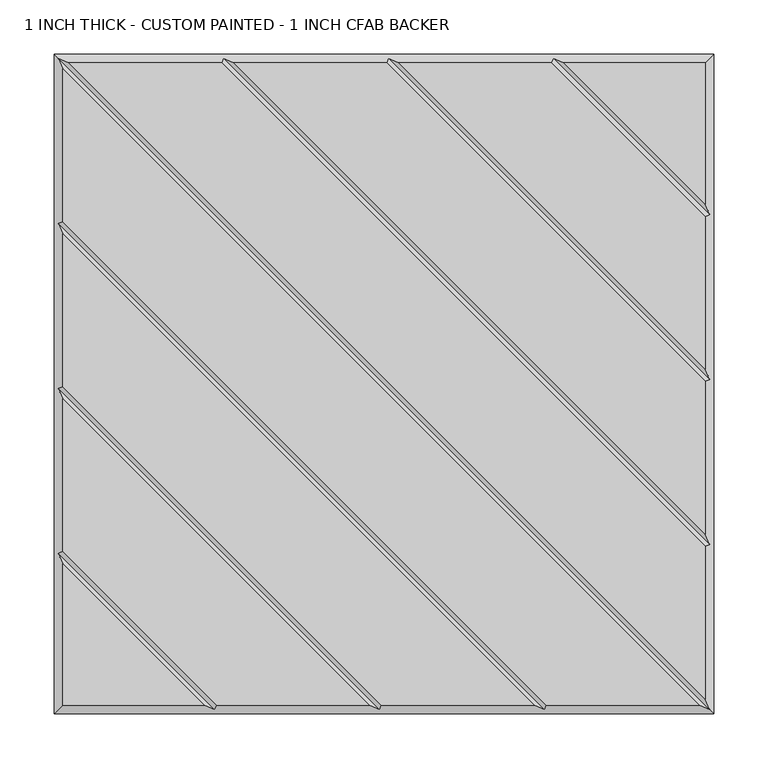
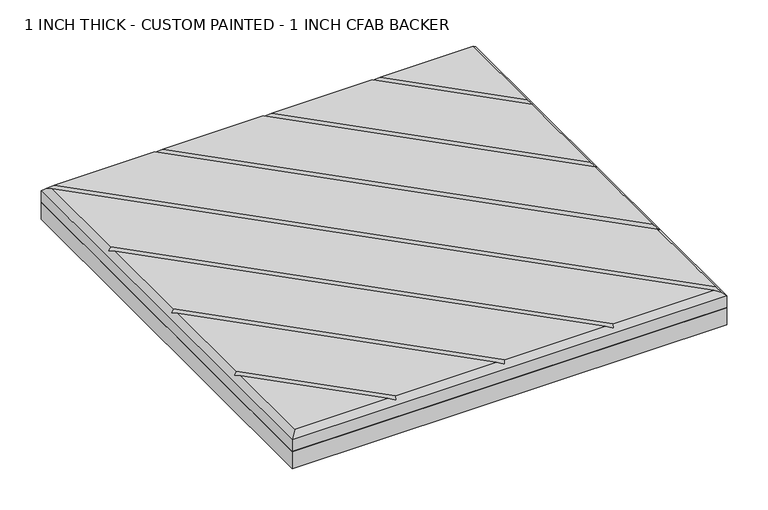
"""IFC4 building model written with IfcOpenShell, lengths in millimetres: proxy geometry, 1 INCH THICK - CUSTOM PAINTED - 1 INCH CFAB BACKER."""

from ifc_helpers import new_model, si_unit, frame, origin, place, context, project, spatial, polyline, outline, extrude, faceted_brep, source, transform, mapped, element, save


def proxy_1_inch_thick_custom_painted_1_inch_cfab_backer_cc4cbef5(model_context):
    return source(origin(), model_context, "Body", "SolidModel", [
        extrude(outline(polyline([(-304.8, 304.8), (304.8, 304.8), (304.8, -304.8), (-304.8, -304.8), (-304.8, 304.8)])), frame((0.0, 0.0, -25.4), z_axis=(0.0, 0.0, 1.0), x_axis=(1.0, 0.0, 0.0)), (0.0, 0.0, 1.0), 25.4),
        faceted_brep([(-291.1414386, 296.799, 25.4), (296.799, -291.1414386, 25.4), (296.799, -150.0565868, 25.4), (-150.0565868, 296.799, 25.4), (291.1414386, -296.799, 25.4), (-296.799, 291.1414386, 25.4), (-296.799, 150.0565868, 25.4), (150.0565868, -296.799, 25.4), (138.741464, -296.799, 25.4), (-296.799, 138.741464, 25.4), (-296.799, -2.3434132, 25.4), (-2.3434132, -296.799, 25.4), (-13.658536, -296.799, 25.4), (-296.799, -13.658536, 25.4), (-296.799, -154.7434132, 25.4), (-154.7434132, -296.799, 25.4), (-296.799, -166.058536, 25.4), (-296.799, -296.799, 25.4), (-166.058536, -296.799, 25.4), (-138.741464, 296.799, 25.4), (296.799, -138.741464, 25.4), (296.799, 2.3434132, 25.4), (2.3434132, 296.799, 25.4), (13.658536, 296.799, 25.4), (296.799, 13.658536, 25.4), (296.799, 154.7434132, 25.4), (154.7434132, 296.799, 25.4), (296.799, 296.799, 25.4), (166.058536, 296.799, 25.4), (296.799, 166.058536, 25.4), (-304.8, 304.8, 0.0), (304.8, 304.8, 0.0), (304.8, -304.8, 0.0), (-304.8, -304.8, 0.0), (-304.8, -304.8, 17.399), (-304.8, 304.8, 17.399), (304.8, -304.8, 17.399), (304.8, 304.8, 17.399), (-300.7995, 300.7995, 21.3995), (-148.3995254, 300.7995, 21.3995), (4.0004746, 300.7995, 21.3995), (156.4004746, 300.7995, 21.3995), (-300.7995, -156.4004746, 21.3995), (-300.7995, -4.0004746, 21.3995), (-300.7995, 148.3995254, 21.3995), (300.7995, -300.7995, 21.3995), (148.3995254, -300.7995, 21.3995), (-4.0004746, -300.7995, 21.3995), (-156.4004746, -300.7995, 21.3995), (300.7995, 156.4004746, 21.3995), (300.7995, 4.0004746, 21.3995), (300.7995, -148.3995254, 21.3995)], [[[0, 1, 2, 3]], [[4, 5, 6, 7]], [[8, 9, 10, 11]], [[12, 13, 14, 15]], [[16, 17, 18]], [[19, 20, 21, 22]], [[23, 24, 25, 26]], [[27, 28, 29]], [[30, 31, 32, 33]], [[30, 33, 34, 35]], [[33, 32, 36, 34]], [[32, 31, 37, 36]], [[31, 30, 35, 37]], [[27, 37, 35, 38, 0, 3, 39, 19, 22, 40, 23, 26, 41, 28]], [[34, 17, 16, 42, 14, 13, 43, 10, 9, 44, 6, 5, 38, 35]], [[17, 34, 36, 45, 4, 7, 46, 8, 11, 47, 12, 15, 48, 18]], [[37, 27, 29, 49, 25, 24, 50, 21, 20, 51, 2, 1, 45, 36]], [[38, 45, 1, 0]], [[45, 38, 5, 4]], [[44, 46, 7, 6]], [[46, 44, 9, 8]], [[43, 47, 11, 10]], [[47, 43, 13, 12]], [[42, 48, 15, 14]], [[48, 42, 16, 18]], [[51, 39, 3, 2]], [[39, 51, 20, 19]], [[50, 40, 22, 21]], [[40, 50, 24, 23]], [[49, 41, 26, 25]], [[41, 49, 29, 28]]]),
    ])


if __name__ == "__main__":
    model = new_model("IFC4")
    model_context = context("Model", 3, world=origin())
    ifc_project = project(units=[si_unit("LENGTHUNIT", "METRE", prefix="MILLI")], contexts=[model_context])
    site = spatial("IfcSite", under=ifc_project)
    building = spatial("IfcBuilding", under=site)
    placement = place(None, origin())
    proxy_1_inch_thick_custom_painted_1_inch_cfab_backer_shape = proxy_1_inch_thick_custom_painted_1_inch_cfab_backer_cc4cbef5(model_context)
    element("IfcBuildingElementProxy", 1, Name="1 INCH THICK - CUSTOM PAINTED - 1 INCH CFAB BACKER", ObjectType="1 INCH THICK - CUSTOM PAINTED - 1 INCH CFAB BACKER", at=placement, inside=building, context=model_context, shape_type="MappedRepresentation", body=[
        mapped(proxy_1_inch_thick_custom_painted_1_inch_cfab_backer_shape, transform((0.0, 0.0, 0.0), x_axis=(1.0, 0.0, 0.0), y_axis=(0.0, 1.0, 0.0), z_axis=(0.0, 0.0, 1.0))),
    ])
    save(model, "model.ifc")
